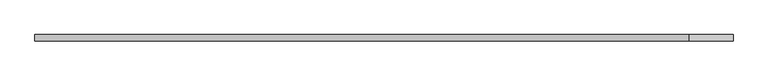
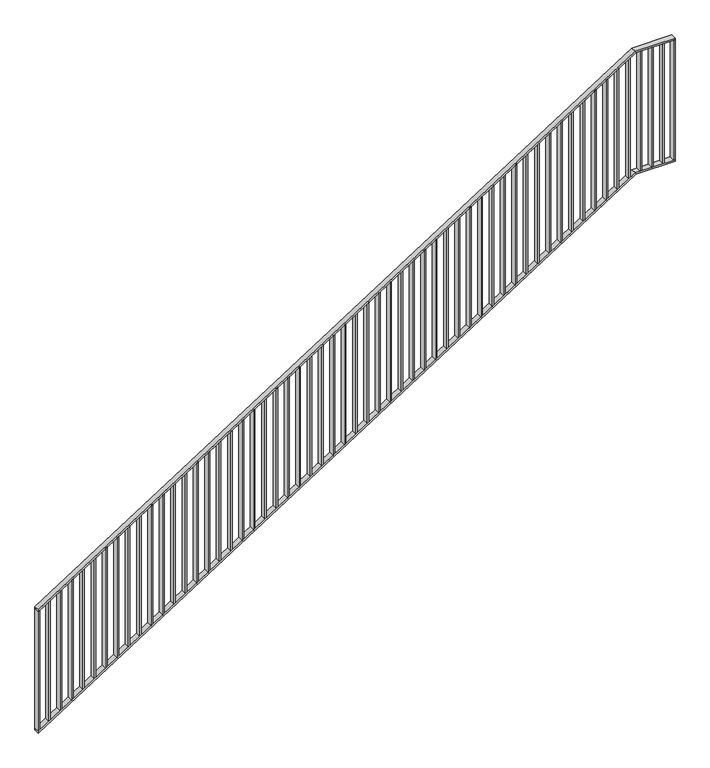
"""IFC4 building model written with IfcOpenShell, lengths in millimetres: railing geometry."""

from ifc_helpers import new_model, si_unit, frame, origin, place, context, project, spatial, polyline, outline, extrude, faceted_brep, source, transform, mapped, element, save


def railing_26ef5050(model_context):
    return source(origin(), model_context, "Body", "SolidModel", [
        faceted_brep([(90020.0, 1014.6, 1178.125), (90020.0, 1014.6, 1166.2576574), (90020.0, 974.6, 1166.2576574), (90020.0, 974.6, 1178.125), (94201.25, 1014.6, 3850.0), (94204.1722273, 1014.6, 3840.0), (94204.1722273, 974.6, 3840.0), (94201.25, 974.6, 3850.0), (94480.0, 1014.6, 3850.0), (94480.0, 974.6, 3850.0), (94480.0, 974.6, 3840.0), (94480.0, 1014.6, 3840.0)], [[[0, 1, 2, 3]], [[1, 0, 4, 5]], [[2, 1, 5, 6]], [[3, 2, 6, 7]], [[0, 3, 7, 4]], [[8, 9, 10, 11]], [[5, 4, 8, 11]], [[6, 5, 11, 10]], [[7, 6, 10, 9]], [[4, 7, 9, 8]]]),
        faceted_brep([(90020.0, 1014.6, 278.125), (90020.0, 1014.6, 266.2576574), (90020.0, 974.6, 266.2576574), (90020.0, 974.6, 278.125), (94201.25, 1014.6, 2950.0), (94204.1722273, 1014.6, 2940.0), (94204.1722273, 974.6, 2940.0), (94201.25, 974.6, 2950.0), (94480.0, 1014.6, 2950.0), (94480.0, 974.6, 2950.0), (94480.0, 974.6, 2940.0), (94480.0, 1014.6, 2940.0)], [[[0, 1, 2, 3]], [[1, 0, 4, 5]], [[2, 1, 5, 6]], [[3, 2, 6, 7]], [[0, 3, 7, 4]], [[8, 9, 10, 11]], [[5, 4, 8, 11]], [[6, 5, 11, 10]], [[7, 6, 10, 9]], [[4, 7, 9, 8]]]),
        extrude(outline(polyline([(94395.3571429, 1014.6), (94405.3571429, 1014.6), (94405.3571429, 974.6), (94395.3571429, 974.6), (94395.3571429, 1014.6)])), frame((0.0, 0.0, 2950.0), z_axis=(0.0, 0.0, 1.0), x_axis=(1.0, 0.0, 0.0)), (0.0, 0.0, 1.0), 890.0),
        extrude(outline(polyline([(94315.7142857, 1014.6), (94325.7142857, 1014.6), (94325.7142857, 974.6), (94315.7142857, 974.6), (94315.7142857, 1014.6)])), frame((0.0, 0.0, 2950.0), z_axis=(0.0, 0.0, 1.0), x_axis=(1.0, 0.0, 0.0)), (0.0, 0.0, 1.0), 890.0),
        extrude(outline(polyline([(94236.0714286, 1014.6), (94246.0714286, 1014.6), (94246.0714286, 974.6), (94236.0714286, 974.6), (94236.0714286, 1014.6)])), frame((0.0, 0.0, 2950.0), z_axis=(0.0, 0.0, 1.0), x_axis=(1.0, 0.0, 0.0)), (0.0, 0.0, 1.0), 890.0),
        extrude(outline(polyline([(2921.3585042, 94156.4285714), (2927.7486387, 94166.4285714), (3817.7486387, 94166.4285714), (3811.3585042, 94156.4285714), (2921.3585042, 94156.4285714)])), frame((0.0, 974.6, 0.0), z_axis=(0.0, 1.0, 0.0), x_axis=(0.0, 0.0, 1.0)), (0.0, 0.0, 1.0), 40.0),
        extrude(outline(polyline([(2870.465647, 94076.7857143), (2876.8557816, 94086.7857143), (3766.8557816, 94086.7857143), (3760.465647, 94076.7857143), (2870.465647, 94076.7857143)])), frame((0.0, 974.6, 0.0), z_axis=(0.0, 1.0, 0.0), x_axis=(0.0, 0.0, 1.0)), (0.0, 0.0, 1.0), 40.0),
        extrude(outline(polyline([(2819.5727899, 93997.1428571), (2825.9629244, 94007.1428571), (3715.9629244, 94007.1428571), (3709.5727899, 93997.1428571), (2819.5727899, 93997.1428571)])), frame((0.0, 974.6, 0.0), z_axis=(0.0, 1.0, 0.0), x_axis=(0.0, 0.0, 1.0)), (0.0, 0.0, 1.0), 40.0),
        extrude(outline(polyline([(2768.6799327, 93917.5), (2775.0700673, 93927.5), (3665.0700673, 93927.5), (3658.6799327, 93917.5), (2768.6799327, 93917.5)])), frame((0.0, 974.6, 0.0), z_axis=(0.0, 1.0, 0.0), x_axis=(0.0, 0.0, 1.0)), (0.0, 0.0, 1.0), 40.0),
        extrude(outline(polyline([(2717.7870756, 93837.8571429), (2724.1772101, 93847.8571429), (3614.1772101, 93847.8571429), (3607.7870756, 93837.8571429), (2717.7870756, 93837.8571429)])), frame((0.0, 974.6, 0.0), z_axis=(0.0, 1.0, 0.0), x_axis=(0.0, 0.0, 1.0)), (0.0, 0.0, 1.0), 40.0),
        extrude(outline(polyline([(2666.8942184, 93758.2142857), (2673.284353, 93768.2142857), (3563.284353, 93768.2142857), (3556.8942184, 93758.2142857), (2666.8942184, 93758.2142857)])), frame((0.0, 974.6, 0.0), z_axis=(0.0, 1.0, 0.0), x_axis=(0.0, 0.0, 1.0)), (0.0, 0.0, 1.0), 40.0),
        extrude(outline(polyline([(2616.0013613, 93678.5714286), (2622.3914958, 93688.5714286), (3512.3914958, 93688.5714286), (3506.0013613, 93678.5714286), (2616.0013613, 93678.5714286)])), frame((0.0, 974.6, 0.0), z_axis=(0.0, 1.0, 0.0), x_axis=(0.0, 0.0, 1.0)), (0.0, 0.0, 1.0), 40.0),
        extrude(outline(polyline([(2565.1085042, 93598.9285714), (2571.4986387, 93608.9285714), (3461.4986387, 93608.9285714), (3455.1085042, 93598.9285714), (2565.1085042, 93598.9285714)])), frame((0.0, 974.6, 0.0), z_axis=(0.0, 1.0, 0.0), x_axis=(0.0, 0.0, 1.0)), (0.0, 0.0, 1.0), 40.0),
        extrude(outline(polyline([(2514.215647, 93519.2857143), (2520.6057816, 93529.2857143), (3410.6057816, 93529.2857143), (3404.215647, 93519.2857143), (2514.215647, 93519.2857143)])), frame((0.0, 974.6, 0.0), z_axis=(0.0, 1.0, 0.0), x_axis=(0.0, 0.0, 1.0)), (0.0, 0.0, 1.0), 40.0),
        extrude(outline(polyline([(2463.3227899, 93439.6428571), (2469.7129244, 93449.6428571), (3359.7129244, 93449.6428571), (3353.3227899, 93439.6428571), (2463.3227899, 93439.6428571)])), frame((0.0, 974.6, 0.0), z_axis=(0.0, 1.0, 0.0), x_axis=(0.0, 0.0, 1.0)), (0.0, 0.0, 1.0), 40.0),
        extrude(outline(polyline([(2412.4299327, 93360.0), (2418.8200673, 93370.0), (3308.8200673, 93370.0), (3302.4299327, 93360.0), (2412.4299327, 93360.0)])), frame((0.0, 974.6, 0.0), z_axis=(0.0, 1.0, 0.0), x_axis=(0.0, 0.0, 1.0)), (0.0, 0.0, 1.0), 40.0),
        extrude(outline(polyline([(2361.5370756, 93280.3571429), (2367.9272101, 93290.3571429), (3257.9272101, 93290.3571429), (3251.5370756, 93280.3571429), (2361.5370756, 93280.3571429)])), frame((0.0, 974.6, 0.0), z_axis=(0.0, 1.0, 0.0), x_axis=(0.0, 0.0, 1.0)), (0.0, 0.0, 1.0), 40.0),
        extrude(outline(polyline([(2310.6442184, 93200.7142857), (2317.034353, 93210.7142857), (3207.034353, 93210.7142857), (3200.6442184, 93200.7142857), (2310.6442184, 93200.7142857)])), frame((0.0, 974.6, 0.0), z_axis=(0.0, 1.0, 0.0), x_axis=(0.0, 0.0, 1.0)), (0.0, 0.0, 1.0), 40.0),
        extrude(outline(polyline([(2259.7513613, 93121.0714286), (2266.1414958, 93131.0714286), (3156.1414958, 93131.0714286), (3149.7513613, 93121.0714286), (2259.7513613, 93121.0714286)])), frame((0.0, 974.6, 0.0), z_axis=(0.0, 1.0, 0.0), x_axis=(0.0, 0.0, 1.0)), (0.0, 0.0, 1.0), 40.0),
        extrude(outline(polyline([(2208.8585042, 93041.4285714), (2215.2486387, 93051.4285714), (3105.2486387, 93051.4285714), (3098.8585042, 93041.4285714), (2208.8585042, 93041.4285714)])), frame((0.0, 974.6, 0.0), z_axis=(0.0, 1.0, 0.0), x_axis=(0.0, 0.0, 1.0)), (0.0, 0.0, 1.0), 40.0),
        extrude(outline(polyline([(2157.965647, 92961.7857143), (2164.3557816, 92971.7857143), (3054.3557816, 92971.7857143), (3047.965647, 92961.7857143), (2157.965647, 92961.7857143)])), frame((0.0, 974.6, 0.0), z_axis=(0.0, 1.0, 0.0), x_axis=(0.0, 0.0, 1.0)), (0.0, 0.0, 1.0), 40.0),
        extrude(outline(polyline([(2107.0727899, 92882.1428571), (2113.4629244, 92892.1428571), (3003.4629244, 92892.1428571), (2997.0727899, 92882.1428571), (2107.0727899, 92882.1428571)])), frame((0.0, 974.6, 0.0), z_axis=(0.0, 1.0, 0.0), x_axis=(0.0, 0.0, 1.0)), (0.0, 0.0, 1.0), 40.0),
        extrude(outline(polyline([(2056.1799327, 92802.5), (2062.5700673, 92812.5), (2952.5700673, 92812.5), (2946.1799327, 92802.5), (2056.1799327, 92802.5)])), frame((0.0, 974.6, 0.0), z_axis=(0.0, 1.0, 0.0), x_axis=(0.0, 0.0, 1.0)), (0.0, 0.0, 1.0), 40.0),
        extrude(outline(polyline([(2005.2870756, 92722.8571429), (2011.6772101, 92732.8571429), (2901.6772101, 92732.8571429), (2895.2870756, 92722.8571429), (2005.2870756, 92722.8571429)])), frame((0.0, 974.6, 0.0), z_axis=(0.0, 1.0, 0.0), x_axis=(0.0, 0.0, 1.0)), (0.0, 0.0, 1.0), 40.0),
        extrude(outline(polyline([(1954.3942184, 92643.2142857), (1960.784353, 92653.2142857), (2850.784353, 92653.2142857), (2844.3942184, 92643.2142857), (1954.3942184, 92643.2142857)])), frame((0.0, 974.6, 0.0), z_axis=(0.0, 1.0, 0.0), x_axis=(0.0, 0.0, 1.0)), (0.0, 0.0, 1.0), 40.0),
        extrude(outline(polyline([(1903.5013613, 92563.5714286), (1909.8914958, 92573.5714286), (2799.8914958, 92573.5714286), (2793.5013613, 92563.5714286), (1903.5013613, 92563.5714286)])), frame((0.0, 974.6, 0.0), z_axis=(0.0, 1.0, 0.0), x_axis=(0.0, 0.0, 1.0)), (0.0, 0.0, 1.0), 40.0),
        extrude(outline(polyline([(1852.6085042, 92483.9285714), (1858.9986387, 92493.9285714), (2748.9986387, 92493.9285714), (2742.6085042, 92483.9285714), (1852.6085042, 92483.9285714)])), frame((0.0, 974.6, 0.0), z_axis=(0.0, 1.0, 0.0), x_axis=(0.0, 0.0, 1.0)), (0.0, 0.0, 1.0), 40.0),
        extrude(outline(polyline([(1801.715647, 92404.2857143), (1808.1057816, 92414.2857143), (2698.1057816, 92414.2857143), (2691.715647, 92404.2857143), (1801.715647, 92404.2857143)])), frame((0.0, 974.6, 0.0), z_axis=(0.0, 1.0, 0.0), x_axis=(0.0, 0.0, 1.0)), (0.0, 0.0, 1.0), 40.0),
        extrude(outline(polyline([(1750.8227899, 92324.6428571), (1757.2129244, 92334.6428571), (2647.2129244, 92334.6428571), (2640.8227899, 92324.6428571), (1750.8227899, 92324.6428571)])), frame((0.0, 974.6, 0.0), z_axis=(0.0, 1.0, 0.0), x_axis=(0.0, 0.0, 1.0)), (0.0, 0.0, 1.0), 40.0),
        extrude(outline(polyline([(1699.9299327, 92245.0), (1706.3200673, 92255.0), (2596.3200673, 92255.0), (2589.9299327, 92245.0), (1699.9299327, 92245.0)])), frame((0.0, 974.6, 0.0), z_axis=(0.0, 1.0, 0.0), x_axis=(0.0, 0.0, 1.0)), (0.0, 0.0, 1.0), 40.0),
        extrude(outline(polyline([(1649.0370756, 92165.3571429), (1655.4272101, 92175.3571429), (2545.4272101, 92175.3571429), (2539.0370756, 92165.3571429), (1649.0370756, 92165.3571429)])), frame((0.0, 974.6, 0.0), z_axis=(0.0, 1.0, 0.0), x_axis=(0.0, 0.0, 1.0)), (0.0, 0.0, 1.0), 40.0),
        extrude(outline(polyline([(1598.1442184, 92085.7142857), (1604.534353, 92095.7142857), (2494.534353, 92095.7142857), (2488.1442184, 92085.7142857), (1598.1442184, 92085.7142857)])), frame((0.0, 974.6, 0.0), z_axis=(0.0, 1.0, 0.0), x_axis=(0.0, 0.0, 1.0)), (0.0, 0.0, 1.0), 40.0),
        extrude(outline(polyline([(1547.2513613, 92006.0714286), (1553.6414958, 92016.0714286), (2443.6414958, 92016.0714286), (2437.2513613, 92006.0714286), (1547.2513613, 92006.0714286)])), frame((0.0, 974.6, 0.0), z_axis=(0.0, 1.0, 0.0), x_axis=(0.0, 0.0, 1.0)), (0.0, 0.0, 1.0), 40.0),
        extrude(outline(polyline([(1496.3585042, 91926.4285714), (1502.7486387, 91936.4285714), (2392.7486387, 91936.4285714), (2386.3585042, 91926.4285714), (1496.3585042, 91926.4285714)])), frame((0.0, 974.6, 0.0), z_axis=(0.0, 1.0, 0.0), x_axis=(0.0, 0.0, 1.0)), (0.0, 0.0, 1.0), 40.0),
        extrude(outline(polyline([(1445.465647, 91846.7857143), (1451.8557816, 91856.7857143), (2341.8557816, 91856.7857143), (2335.465647, 91846.7857143), (1445.465647, 91846.7857143)])), frame((0.0, 974.6, 0.0), z_axis=(0.0, 1.0, 0.0), x_axis=(0.0, 0.0, 1.0)), (0.0, 0.0, 1.0), 40.0),
        extrude(outline(polyline([(1394.5727899, 91767.1428571), (1400.9629244, 91777.1428571), (2290.9629244, 91777.1428571), (2284.5727899, 91767.1428571), (1394.5727899, 91767.1428571)])), frame((0.0, 974.6, 0.0), z_axis=(0.0, 1.0, 0.0), x_axis=(0.0, 0.0, 1.0)), (0.0, 0.0, 1.0), 40.0),
        extrude(outline(polyline([(1343.6799327, 91687.5), (1350.0700673, 91697.5), (2240.0700673, 91697.5), (2233.6799327, 91687.5), (1343.6799327, 91687.5)])), frame((0.0, 974.6, 0.0), z_axis=(0.0, 1.0, 0.0), x_axis=(0.0, 0.0, 1.0)), (0.0, 0.0, 1.0), 40.0),
        extrude(outline(polyline([(1292.7870756, 91607.8571429), (1299.1772101, 91617.8571429), (2189.1772101, 91617.8571429), (2182.7870756, 91607.8571429), (1292.7870756, 91607.8571429)])), frame((0.0, 974.6, 0.0), z_axis=(0.0, 1.0, 0.0), x_axis=(0.0, 0.0, 1.0)), (0.0, 0.0, 1.0), 40.0),
        extrude(outline(polyline([(1241.8942184, 91528.2142857), (1248.284353, 91538.2142857), (2138.284353, 91538.2142857), (2131.8942184, 91528.2142857), (1241.8942184, 91528.2142857)])), frame((0.0, 974.6, 0.0), z_axis=(0.0, 1.0, 0.0), x_axis=(0.0, 0.0, 1.0)), (0.0, 0.0, 1.0), 40.0),
        extrude(outline(polyline([(1191.0013613, 91448.5714286), (1197.3914958, 91458.5714286), (2087.3914958, 91458.5714286), (2081.0013613, 91448.5714286), (1191.0013613, 91448.5714286)])), frame((0.0, 974.6, 0.0), z_axis=(0.0, 1.0, 0.0), x_axis=(0.0, 0.0, 1.0)), (0.0, 0.0, 1.0), 40.0),
        extrude(outline(polyline([(1140.1085042, 91368.9285714), (1146.4986387, 91378.9285714), (2036.4986387, 91378.9285714), (2030.1085042, 91368.9285714), (1140.1085042, 91368.9285714)])), frame((0.0, 974.6, 0.0), z_axis=(0.0, 1.0, 0.0), x_axis=(0.0, 0.0, 1.0)), (0.0, 0.0, 1.0), 40.0),
        extrude(outline(polyline([(1089.215647, 91289.2857143), (1095.6057816, 91299.2857143), (1985.6057816, 91299.2857143), (1979.215647, 91289.2857143), (1089.215647, 91289.2857143)])), frame((0.0, 974.6, 0.0), z_axis=(0.0, 1.0, 0.0), x_axis=(0.0, 0.0, 1.0)), (0.0, 0.0, 1.0), 40.0),
        extrude(outline(polyline([(1038.3227899, 91209.6428571), (1044.7129244, 91219.6428571), (1934.7129244, 91219.6428571), (1928.3227899, 91209.6428571), (1038.3227899, 91209.6428571)])), frame((0.0, 974.6, 0.0), z_axis=(0.0, 1.0, 0.0), x_axis=(0.0, 0.0, 1.0)), (0.0, 0.0, 1.0), 40.0),
        extrude(outline(polyline([(987.4299327, 91130.0), (993.8200673, 91140.0), (1883.8200673, 91140.0), (1877.4299327, 91130.0), (987.4299327, 91130.0)])), frame((0.0, 974.6, 0.0), z_axis=(0.0, 1.0, 0.0), x_axis=(0.0, 0.0, 1.0)), (0.0, 0.0, 1.0), 40.0),
        extrude(outline(polyline([(936.5370756, 91050.3571429), (942.9272101, 91060.3571429), (1832.9272101, 91060.3571429), (1826.5370756, 91050.3571429), (936.5370756, 91050.3571429)])), frame((0.0, 974.6, 0.0), z_axis=(0.0, 1.0, 0.0), x_axis=(0.0, 0.0, 1.0)), (0.0, 0.0, 1.0), 40.0),
        extrude(outline(polyline([(885.6442184, 90970.7142857), (892.034353, 90980.7142857), (1782.034353, 90980.7142857), (1775.6442184, 90970.7142857), (885.6442184, 90970.7142857)])), frame((0.0, 974.6, 0.0), z_axis=(0.0, 1.0, 0.0), x_axis=(0.0, 0.0, 1.0)), (0.0, 0.0, 1.0), 40.0),
        extrude(outline(polyline([(834.7513613, 90891.0714286), (841.1414958, 90901.0714286), (1731.1414958, 90901.0714286), (1724.7513613, 90891.0714286), (834.7513613, 90891.0714286)])), frame((0.0, 974.6, 0.0), z_axis=(0.0, 1.0, 0.0), x_axis=(0.0, 0.0, 1.0)), (0.0, 0.0, 1.0), 40.0),
        extrude(outline(polyline([(783.8585042, 90811.4285714), (790.2486387, 90821.4285714), (1680.2486387, 90821.4285714), (1673.8585042, 90811.4285714), (783.8585042, 90811.4285714)])), frame((0.0, 974.6, 0.0), z_axis=(0.0, 1.0, 0.0), x_axis=(0.0, 0.0, 1.0)), (0.0, 0.0, 1.0), 40.0),
        extrude(outline(polyline([(732.965647, 90731.7857143), (739.3557816, 90741.7857143), (1629.3557816, 90741.7857143), (1622.965647, 90731.7857143), (732.965647, 90731.7857143)])), frame((0.0, 974.6, 0.0), z_axis=(0.0, 1.0, 0.0), x_axis=(0.0, 0.0, 1.0)), (0.0, 0.0, 1.0), 40.0),
        extrude(outline(polyline([(682.0727899, 90652.1428571), (688.4629244, 90662.1428571), (1578.4629244, 90662.1428571), (1572.0727899, 90652.1428571), (682.0727899, 90652.1428571)])), frame((0.0, 974.6, 0.0), z_axis=(0.0, 1.0, 0.0), x_axis=(0.0, 0.0, 1.0)), (0.0, 0.0, 1.0), 40.0),
        extrude(outline(polyline([(631.1799327, 90572.5), (637.5700673, 90582.5), (1527.5700673, 90582.5), (1521.1799327, 90572.5), (631.1799327, 90572.5)])), frame((0.0, 974.6, 0.0), z_axis=(0.0, 1.0, 0.0), x_axis=(0.0, 0.0, 1.0)), (0.0, 0.0, 1.0), 40.0),
        extrude(outline(polyline([(580.2870756, 90492.8571429), (586.6772101, 90502.8571429), (1476.6772101, 90502.8571429), (1470.2870756, 90492.8571429), (580.2870756, 90492.8571429)])), frame((0.0, 974.6, 0.0), z_axis=(0.0, 1.0, 0.0), x_axis=(0.0, 0.0, 1.0)), (0.0, 0.0, 1.0), 40.0),
        extrude(outline(polyline([(529.3942184, 90413.2142857), (535.784353, 90423.2142857), (1425.784353, 90423.2142857), (1419.3942184, 90413.2142857), (529.3942184, 90413.2142857)])), frame((0.0, 974.6, 0.0), z_axis=(0.0, 1.0, 0.0), x_axis=(0.0, 0.0, 1.0)), (0.0, 0.0, 1.0), 40.0),
        extrude(outline(polyline([(478.5013613, 90333.5714286), (484.8914958, 90343.5714286), (1374.8914958, 90343.5714286), (1368.5013613, 90333.5714286), (478.5013613, 90333.5714286)])), frame((0.0, 974.6, 0.0), z_axis=(0.0, 1.0, 0.0), x_axis=(0.0, 0.0, 1.0)), (0.0, 0.0, 1.0), 40.0),
        extrude(outline(polyline([(427.6085042, 90253.9285714), (433.9986387, 90263.9285714), (1323.9986387, 90263.9285714), (1317.6085042, 90253.9285714), (427.6085042, 90253.9285714)])), frame((0.0, 974.6, 0.0), z_axis=(0.0, 1.0, 0.0), x_axis=(0.0, 0.0, 1.0)), (0.0, 0.0, 1.0), 40.0),
        extrude(outline(polyline([(376.715647, 90174.2857143), (383.1057816, 90184.2857143), (1273.1057816, 90184.2857143), (1266.715647, 90174.2857143), (376.715647, 90174.2857143)])), frame((0.0, 974.6, 0.0), z_axis=(0.0, 1.0, 0.0), x_axis=(0.0, 0.0, 1.0)), (0.0, 0.0, 1.0), 40.0),
        extrude(outline(polyline([(325.8227899, 90094.6428571), (332.2129244, 90104.6428571), (1222.2129244, 90104.6428571), (1215.8227899, 90094.6428571), (325.8227899, 90094.6428571)])), frame((0.0, 974.6, 0.0), z_axis=(0.0, 1.0, 0.0), x_axis=(0.0, 0.0, 1.0)), (0.0, 0.0, 1.0), 40.0),
        extrude(outline(polyline([(94470.0, 1014.6), (94480.0, 1014.6), (94480.0, 974.6), (94470.0, 974.6), (94470.0, 1014.6)])), frame((0.0, 0.0, 2950.0), z_axis=(0.0, 0.0, 1.0), x_axis=(1.0, 0.0, 0.0)), (0.0, 0.0, 1.0), 890.0),
        extrude(outline(polyline([(278.125, 90020.0), (284.5151345, 90030.0), (1174.5151345, 90030.0), (1168.125, 90020.0), (278.125, 90020.0)])), frame((0.0, 974.6, 0.0), z_axis=(0.0, 1.0, 0.0), x_axis=(0.0, 0.0, 1.0)), (0.0, 0.0, 1.0), 40.0),
    ])


if __name__ == "__main__":
    model = new_model("IFC4")
    model_context = context("Model", 3, world=origin())
    ifc_project = project(units=[si_unit("LENGTHUNIT", "METRE", prefix="MILLI")], contexts=[model_context])
    site = spatial("IfcSite", under=ifc_project)
    building = spatial("IfcBuilding", under=site)
    placement = place(None, origin())
    railing_shape = railing_26ef5050(model_context)
    element("IfcRailing", 1, at=placement, inside=building, context=model_context, shape_type="MappedRepresentation", body=[
        mapped(railing_shape, transform((0.0, 0.0, 0.0), x_axis=(1.0, 0.0, 0.0), y_axis=(0.0, 1.0, 0.0), z_axis=(0.0, 0.0, 1.0))),
    ])
    save(model, "model.ifc")
